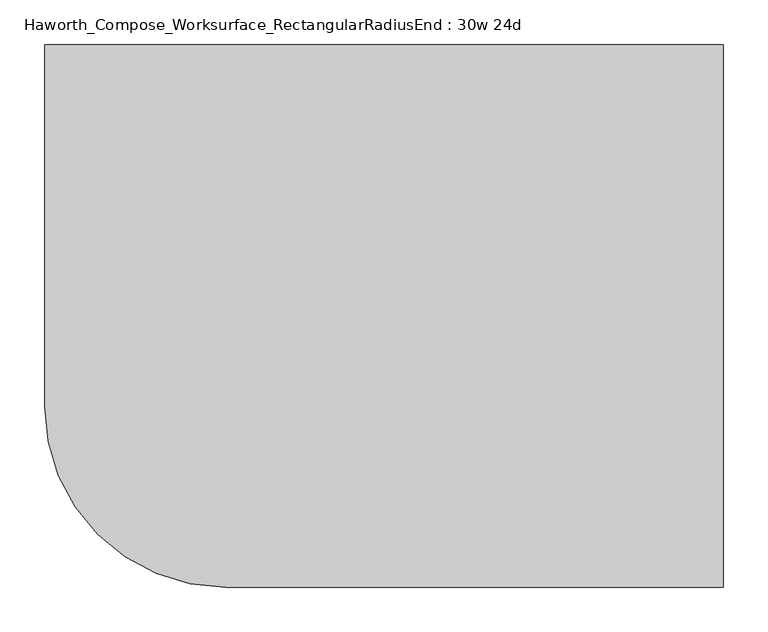
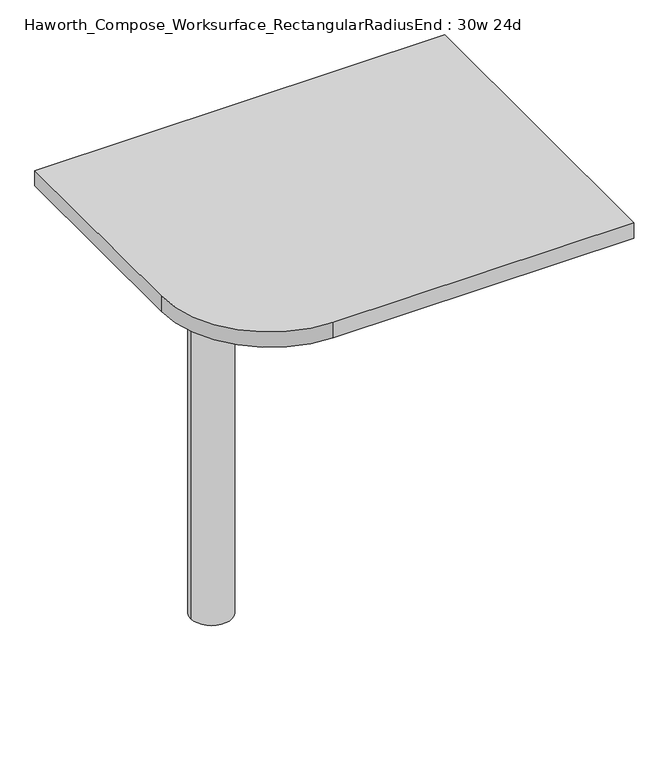
"""IFC4 building model written with IfcOpenShell, lengths in millimetres: furniture geometry, Haworth_Compose_Worksurface_RectangularRadiusEnd : 30w 24d."""

from ifc_helpers import new_model, si_unit, point, frame, frame_2d, origin, place, context, project, spatial, polyline, circle_curve, trimmed, segment, composite_curve, outline, extrude, source, transform, mapped, element, save
from ifc_brep_helpers import plane_surface, cylinder_surface, revolved_surface, advanced_brep


def haworth_compose_worksurface_rectangularradiusend_30w_24d_d82d3a32(model_context):
    return source(origin(), model_context, "Body", "SolidModel", [
        advanced_brep(
        [(375.44375, 304.8, 475.45625), (375.44375, 288.925, 475.45625), (375.44375, -101.6, 691.7192568), (375.44375, -101.6, 704.05625), (375.44375, 288.925, 704.05625), (375.44375, 304.8, 704.05625), (375.44375, 221.490072, 665.95625), (375.44375, 177.8355284, 665.95625), (375.44375, 175.1564235, 656.3705539), (375.44375, 266.8776173, 605.5776439), (375.44375, 276.225, 611.1756969), (375.44375, 276.225, 634.6860246), (375.44375, 274.4730055, 637.5242776), (375.44375, 224.5663437, 665.1613425), (377.825, 304.8, 475.45625), (377.825, 304.8, 704.05625), (377.825, 288.925, 704.05625), (377.825, 288.925, 706.4375), (377.825, -101.6, 706.4375), (377.825, -101.6, 691.7192568), (377.825, 288.925, 475.45625), (377.825, 221.490072, 665.95625), (377.825, 224.5663437, 665.1613425), (377.825, 274.4730055, 637.5242776), (377.825, 276.225, 634.6860246), (377.825, 276.225, 611.1756969), (377.825, 266.8776173, 605.5776439), (377.825, 175.1564235, 656.3705539), (377.825, 177.8355284, 665.95625), (336.55, -101.6, 706.4375), (336.55, -101.6, 704.05625), (336.55, 288.925, 704.05625), (336.55, 288.925, 706.4375)],
        [
            (0, 1),
            (1, 2),
            (2, 3),
            (3, 4),
            (4, 5),
            (5, 0),
            (6, 7),
            (7, 8, circle_curve(frame((375.44375, 177.8355284, 660.7890106), z_axis=(1.0, 0.0, 0.0), x_axis=(0.0, -1.0, 0.0)), 5.1672394)),
            (8, 9),
            (9, 10, circle_curve(frame((375.44375, 269.875, 611.1756969), z_axis=(1.0, 0.0, 0.0), x_axis=(0.0, -1.0, 0.0)), 6.35)),
            (10, 11),
            (11, 12, circle_curve(frame((375.44375, 273.05, 634.6860246), z_axis=(1.0, 0.0, 0.0), x_axis=(0.0, -1.0, 0.0)), 3.175)),
            (12, 13),
            (13, 6, circle_curve(frame((375.44375, 221.490072, 659.60625), z_axis=(1.0, 0.0, 0.0), x_axis=(0.0, -1.0, 0.0)), 6.35)),
            (14, 15),
            (15, 16),
            (16, 17),
            (17, 18),
            (18, 19),
            (19, 20),
            (20, 14),
            (21, 22, circle_curve(frame((377.825, 221.490072, 659.60625), z_axis=(-1.0, 0.0, 0.0), x_axis=(0.0, -1.0, 0.0)), 6.35)),
            (22, 23),
            (23, 24, circle_curve(frame((377.825, 273.05, 634.6860246), z_axis=(-1.0, 0.0, 0.0), x_axis=(0.0, -1.0, 0.0)), 3.175)),
            (24, 25),
            (25, 26, circle_curve(frame((377.825, 269.875, 611.1756969), z_axis=(-1.0, 0.0, 0.0), x_axis=(0.0, -1.0, 0.0)), 6.35)),
            (26, 27),
            (27, 28, circle_curve(frame((377.825, 177.8355284, 660.7890106), z_axis=(-1.0, 0.0, 0.0), x_axis=(0.0, -1.0, 0.0)), 5.1672394)),
            (28, 21),
            (4, 16),
            (15, 5),
            (14, 0),
            (20, 1),
            (19, 2),
            (18, 29),
            (29, 30),
            (30, 3),
            (6, 21),
            (28, 7),
            (9, 26),
            (25, 10),
            (24, 11),
            (23, 12),
            (27, 8),
            (31, 4),
            (30, 31),
            (32, 29),
            (17, 32),
            (31, 32),
            (22, 13),
        ],
        [
            plane_surface(frame((375.44375, 304.8, 475.45625), z_axis=(-1.0, 0.0, 0.0), x_axis=(0.0, 1.0, 0.0))),
            plane_surface(frame((377.825, 304.8, 475.45625), z_axis=(1.0, 0.0, 0.0), x_axis=(0.0, -1.0, 0.0))),
            plane_surface(frame((377.825, -101.6, 704.05625), z_axis=(0.0, 0.0, 1.0), x_axis=(-1.0, 0.0, 0.0))),
            plane_surface(frame((377.825, 304.8, 704.05625), z_axis=(0.0, 1.0, 0.0), x_axis=(-1.0, 0.0, 0.0))),
            plane_surface(frame((377.825, 304.8, 475.45625), z_axis=(0.0, 0.0, -1.0), x_axis=(-1.0, 0.0, 0.0))),
            plane_surface(frame((377.825, 288.925, 475.45625), z_axis=(0.0, -0.48445223513455843, -0.8748177135112952), x_axis=(-1.0, 0.0, 0.0))),
            plane_surface(frame((377.825, -101.6, 691.7192568), z_axis=(0.0, -1.0, 0.0), x_axis=(-1.0, 0.0, 0.0))),
            plane_surface(frame((377.825, 221.490072, 665.95625), z_axis=(0.0, 0.0, -1.0), x_axis=(-1.0, 0.0, 0.0))),
            revolved_surface(polyline([(375.44375, 263.525, 611.1756969), (377.825, 263.525, 611.1756969)]), (377.825, 269.875, 611.1756969), (-1.0, 0.0, 0.0)),
            plane_surface(frame((377.825, 276.225, 611.1756969), z_axis=(0.0, -1.0, 0.0), x_axis=(-1.0, 0.0, 0.0))),
            revolved_surface(polyline([(375.44375, 269.875, 634.6860246), (377.825, 269.875, 634.6860246)]), (377.825, 273.05, 634.6860246), (-1.0, 0.0, 0.0)),
            revolved_surface(polyline([(375.44375, 172.668289, 660.7890106), (377.825, 172.668289, 660.7890106)]), (377.825, 177.8355284, 660.7890106), (-1.0, 0.0, 0.0)),
            plane_surface(frame((377.825, 288.925, 704.05625), z_axis=(0.0, 0.0, -1.0), x_axis=(-1.0, 0.0, 0.0))),
            plane_surface(frame((377.825, 288.925, 706.4375), z_axis=(0.0, 0.0, 1.0), x_axis=(1.0, 0.0, 0.0))),
            plane_surface(frame((336.55, 288.925, 706.4375), z_axis=(0.0, 1.0, 0.0), x_axis=(0.0, 0.0, -1.0))),
            plane_surface(frame((336.55, -101.6, 706.4375), z_axis=(-1.0, 0.0, 0.0), x_axis=(0.0, 0.0, -1.0))),
            plane_surface(frame((377.825, 175.1564235, 656.3705539), z_axis=(0.0, 0.4844522351345583, 0.8748177135112953), x_axis=(-1.0, 0.0, 0.0))),
            plane_surface(frame((377.825, 274.4730055, 637.5242776), z_axis=(0.0, -0.4844522351345582, -0.8748177135112953), x_axis=(-1.0, 0.0, 0.0))),
            revolved_surface(polyline([(375.44375, 215.140072, 659.60625), (377.825, 215.140072, 659.60625)]), (377.825, 221.490072, 659.60625), (-1.0, 0.0, 0.0)),
        ],
        [
            (0, [[1, 2, 3, 4, 5, 6], [7, 8, 9, 10, 11, 12, 13, 14]]),
            (1, [[15, 16, 17, 18, 19, 20, 21], [22, 23, 24, 25, 26, 27, 28, 29]]),
            (2, [[-5, 30, -16, 31]]),
            (3, [[-31, -15, 32, -6]]),
            (4, [[-32, -21, 33, -1]]),
            (5, [[-33, -20, 34, -2]]),
            (6, [[-34, -19, 35, 36, 37, -3]]),
            (7, [[38, -29, 39, -7]]),
            (8, [[40, -26, 41, -10]]),
            (9, [[-41, -25, 42, -11]]),
            (10, [[-42, -24, 43, -12]]),
            (11, [[-39, -28, 44, -8]]),
            (12, [[45, -4, -37, 46]]),
            (13, [[47, -35, -18, 48]]),
            (14, [[-17, -30, -45, 49, -48]]),
            (15, [[-36, -47, -49, -46]]),
            (16, [[-44, -27, -40, -9]]),
            (17, [[-43, -23, 50, -13]]),
            (18, [[-50, -22, -38, -14]]),
        ],
    ),
        advanced_brep(
        [(-190.5, 0.0, 706.4375), (-266.7, 0.0, 706.4375), (-228.6, 0.0, 706.4375), (-190.5, 0.0, 0.0), (-266.7, 0.0, 0.0), (-228.6, 0.0, 0.0)],
        [
            (0, 1, circle_curve(frame((-228.6, 0.0, 706.4375), z_axis=(0.0, 0.0, 1.0), x_axis=(-1.0, 0.0, 0.0)), 38.1)),
            (1, 2),
            (2, 0),
            (1, 0, circle_curve(frame((-228.6, 0.0, 706.4375), z_axis=(0.0, 0.0, 1.0), x_axis=(-1.0, 0.0, 0.0)), 38.1)),
            (3, 4, circle_curve(frame((-228.6, 0.0, 0.0), z_axis=(0.0, 0.0, 1.0), x_axis=(-1.0, 0.0, 0.0)), 38.1)),
            (4, 1),
            (0, 3),
            (4, 3, circle_curve(frame((-228.6, 0.0, 0.0), z_axis=(0.0, 0.0, 1.0), x_axis=(-1.0, 0.0, 0.0)), 38.1)),
            (5, 4),
            (3, 5),
        ],
        [
            plane_surface(frame((-228.6, 0.0, 706.4375), z_axis=(0.0, 0.0, 1.0), x_axis=(-1.0, 0.0, 0.0))),
            cylinder_surface(frame((-228.6, 0.0, 889.623257), z_axis=(0.0, 0.0, -1.0), x_axis=(-1.0, 0.0, 0.0)), 38.1),
            plane_surface(frame((-228.6, 0.0, 0.0), z_axis=(0.0, 0.0, -1.0), x_axis=(-1.0, 0.0, 0.0))),
        ],
        [
            (0, [[1, 2, 3]]),
            (0, [[4, -3, -2]]),
            (1, [[5, 6, -1, 7]]),
            (1, [[8, -7, -4, -6]]),
            (2, [[9, -5, 10]]),
            (2, [[-10, -8, -9]]),
        ],
    ),
        extrude(outline(composite_curve([segment(polyline([(381.0, 304.8), (381.0, -304.8), (-177.8, -304.8)]), True, "CONTINUOUS"), segment(trimmed(circle_curve(frame_2d((-177.8, -101.6)), 203.2), [point((-177.8, -304.8))], [point((-381.0, -101.6))], False, "CARTESIAN"), True, "CONTINUOUS"), segment(polyline([(-381.0, -101.6), (-381.0, 304.8), (381.0, 304.8)]), True, "CONTINUOUS")], self_intersect=False)), frame((0.0, 0.0, 706.4375), z_axis=(0.0, 0.0, 1.0), x_axis=(1.0, 0.0, 0.0)), (0.0, 0.0, 1.0), 30.1625),
    ])


if __name__ == "__main__":
    model = new_model("IFC4")
    model_context = context("Model", 3, world=origin())
    ifc_project = project(units=[si_unit("LENGTHUNIT", "METRE", prefix="MILLI")], contexts=[model_context])
    site = spatial("IfcSite", under=ifc_project)
    building = spatial("IfcBuilding", under=site)
    placement = place(None, origin())
    haworth_compose_worksurface_rectangularradiusend_30w_24d_shape = haworth_compose_worksurface_rectangularradiusend_30w_24d_d82d3a32(model_context)
    element("IfcFurniture", 1, ObjectType="Haworth_Compose_Worksurface_RectangularRadiusEnd : 30w 24d", at=placement, inside=building, context=model_context, shape_type="MappedRepresentation", body=[
        mapped(haworth_compose_worksurface_rectangularradiusend_30w_24d_shape, transform((0.0, 0.0, 0.0), x_axis=(1.0, 0.0, 0.0), y_axis=(0.0, 1.0, 0.0), z_axis=(0.0, 0.0, 1.0))),
    ])
    save(model, "model.ifc")
